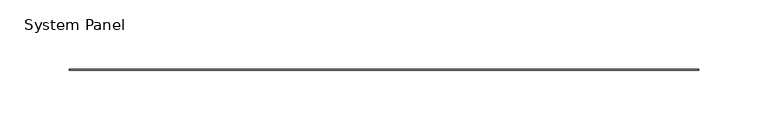
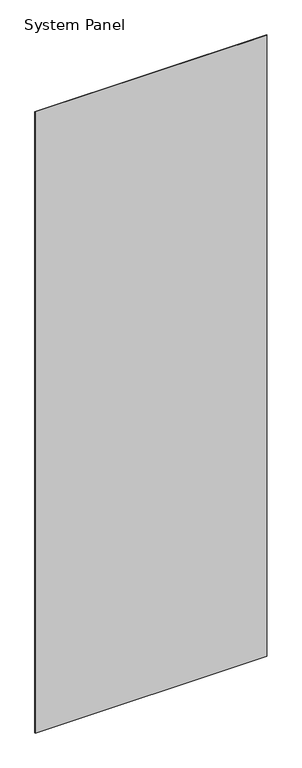
"""IFC4 building model written with IfcOpenShell, lengths in millimetres: plate geometry, System Panel."""

from ifc_helpers import new_model, si_unit, origin, origin_with_axes, place, context, project, spatial, polyline, outline, extrude, source, transform, mapped, element, save


def system_panel_f52f8815(model_context):
    return source(origin(), model_context, "Body", "SweptSolid", [
        extrude(outline(polyline([(226.9490002, -0.2976563), (-226.9490002, -0.2976563), (-226.9490002, 0.2976563), (226.9490002, 0.2976563), (226.9490002, -0.2976563)])), origin_with_axes(), (0.0, 0.0, 1.0), 1285.875),
    ])


if __name__ == "__main__":
    model = new_model("IFC4")
    model_context = context("Model", 3, world=origin())
    ifc_project = project(units=[si_unit("LENGTHUNIT", "METRE", prefix="MILLI")], contexts=[model_context])
    site = spatial("IfcSite", under=ifc_project)
    building = spatial("IfcBuilding", under=site)
    placement = place(None, origin())
    system_panel_shape = system_panel_f52f8815(model_context)
    element("IfcPlate", 1, ObjectType="System Panel", at=placement, inside=building, context=model_context, shape_type="MappedRepresentation", body=[
        mapped(system_panel_shape, transform((0.0, 0.0, 0.0), x_axis=(1.0, 0.0, 0.0), y_axis=(0.0, 1.0, 0.0), z_axis=(0.0, 0.0, 1.0))),
    ])
    save(model, "model.ifc")
